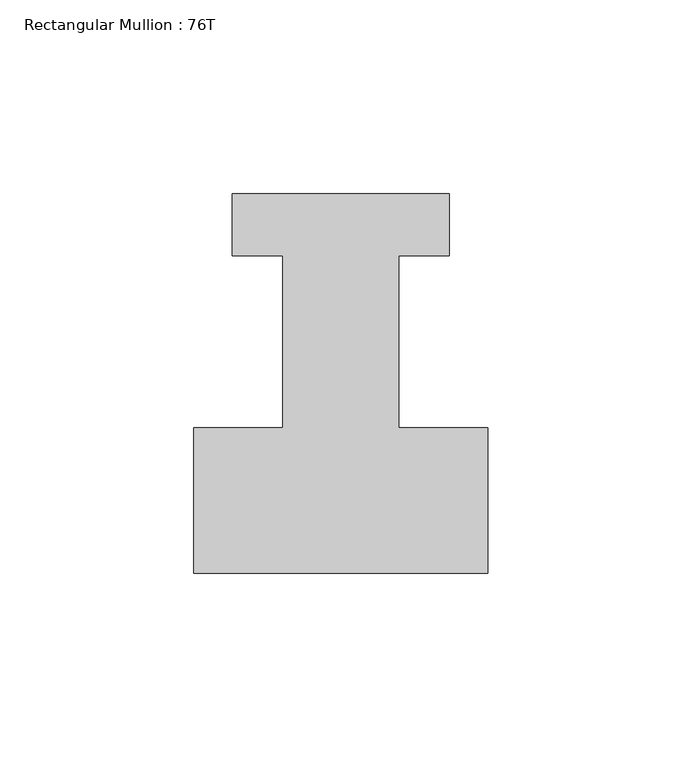
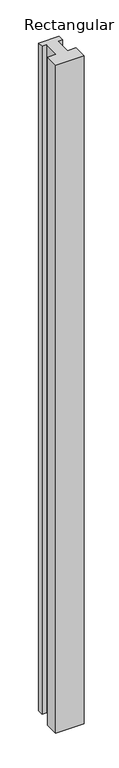
"""IFC4 building model written with IfcOpenShell, lengths in millimetres: member geometry, Rectangular Mullion : 76T."""

from ifc_helpers import new_model, si_unit, frame, origin, place, context, project, spatial, polyline, outline, extrude, source, transform, mapped, element, save


def rectangular_mullion_76t_34be1da5(model_context):
    return source(origin(), model_context, "Body", "SweptSolid", [
        extrude(outline(polyline([(38.0, -38.0), (-38.0, -38.0), (-38.0, -0.5), (-15.0, -0.5), (-15.0, 44.0), (-28.0, 44.0), (-28.0, 60.0), (28.0, 60.0), (28.0, 44.0), (15.0, 44.0), (15.0, -0.5), (38.0, -0.5), (38.0, -38.0)])), frame((0.0, 0.0, -1898.0), z_axis=(0.0, 0.0, 1.0), x_axis=(1.0, 0.0, 0.0)), (0.0, 0.0, 1.0), 1898.0),
    ])


if __name__ == "__main__":
    model = new_model("IFC4")
    model_context = context("Model", 3, world=origin())
    ifc_project = project(units=[si_unit("LENGTHUNIT", "METRE", prefix="MILLI")], contexts=[model_context])
    site = spatial("IfcSite", under=ifc_project)
    building = spatial("IfcBuilding", under=site)
    placement = place(None, origin())
    rectangular_mullion_76t_shape = rectangular_mullion_76t_34be1da5(model_context)
    element("IfcMember", 1, ObjectType="Rectangular Mullion : 76T", at=placement, inside=building, context=model_context, shape_type="MappedRepresentation", body=[
        mapped(rectangular_mullion_76t_shape, transform((0.0, 0.0, 0.0), x_axis=(1.0, 0.0, 0.0), y_axis=(0.0, 1.0, 0.0), z_axis=(0.0, 0.0, 1.0))),
    ])
    save(model, "model.ifc")
